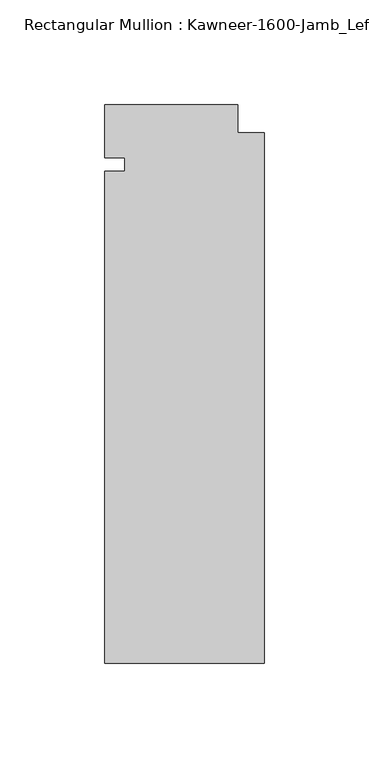
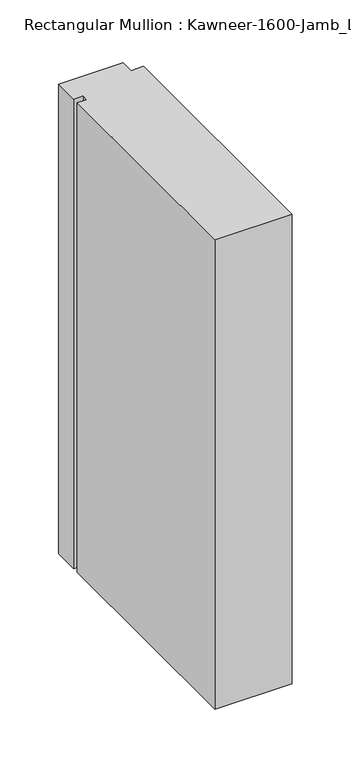
"""IFC4 building model written with IfcOpenShell, lengths in millimetres: member geometry."""

from ifc_helpers import new_model, si_unit, frame, origin, place, context, project, spatial, polyline, outline, extrude, source, transform, mapped, element, save


def member_77f05486(model_context):
    return source(origin(), model_context, "Body", "SweptSolid", [
        extrude(outline(polyline([(-76.2, -3.175), (-66.675, -3.175), (-66.675, 3.175), (-76.2, 3.175), (-76.2, 28.575), (-12.7, 28.575), (-12.7, 15.08125), (0.0, 15.08125), (0.0, -238.125), (-76.2, -238.125), (-76.2, -3.175)])), frame((0.0, 0.0, -488.95), z_axis=(0.0, 0.0, 1.0), x_axis=(1.0, 0.0, 0.0)), (0.0, 0.0, 1.0), 488.95),
    ])


if __name__ == "__main__":
    model = new_model("IFC4")
    model_context = context("Model", 3, world=origin())
    ifc_project = project(units=[si_unit("LENGTHUNIT", "METRE", prefix="MILLI")], contexts=[model_context])
    site = spatial("IfcSite", under=ifc_project)
    building = spatial("IfcBuilding", under=site)
    placement = place(None, origin())
    member_shape = member_77f05486(model_context)
    element("IfcMember", 1, ObjectType="Rectangular Mullion : Kawneer-1600-Jamb_Left-System1-10_1/2\"-1/4\"Infill", at=placement, inside=building, context=model_context, shape_type="MappedRepresentation", body=[
        mapped(member_shape, transform((0.0, 0.0, 0.0), x_axis=(1.0, 0.0, 0.0), y_axis=(0.0, 1.0, 0.0), z_axis=(0.0, 0.0, 1.0))),
    ])
    save(model, "model.ifc")
